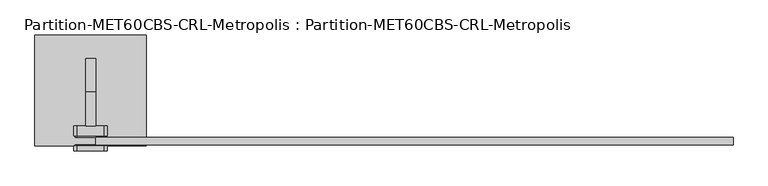
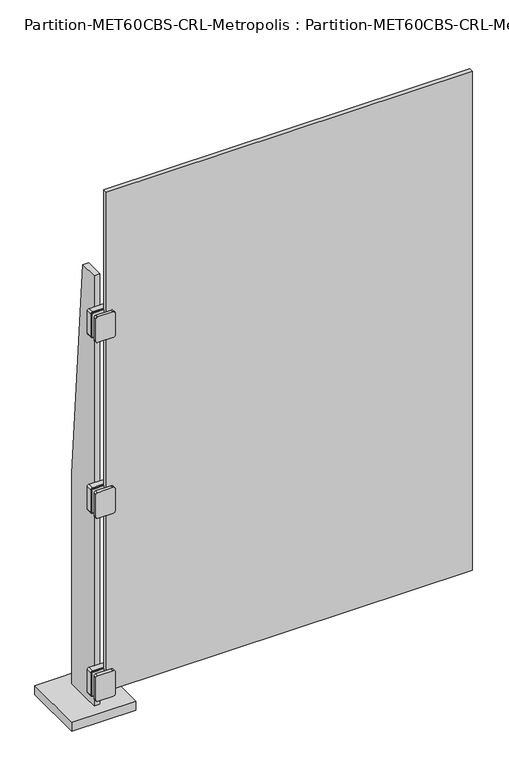
"""IFC4 building model written with IfcOpenShell, lengths in millimetres: plate geometry, Partition-MET60CBS-CRL-Metropolis : Partition-MET60CBS-CRL-Metropolis."""

from ifc_helpers import new_model, si_unit, point, frame, frame_2d, origin, origin_with_axes, place, context, project, spatial, polyline, circle_curve, trimmed, segment, composite_curve, outline, extrude, source, transform, mapped, element, save


def partition_met60cbs_crl_metropolis_partition_met60cbs_crl_53cabe06(model_context):
    return source(origin(), model_context, "Body", "SweptSolid", [
        extrude(outline(composite_curve([segment(polyline([(168.275, -596.9), (168.275, -635.0)]), True, "CONTINUOUS"), segment(trimmed(circle_curve(frame_2d((165.1, -635.0)), 3.175), [point((168.275, -635.0))], [point((165.1, -638.175))], False, "CARTESIAN"), True, "CONTINUOUS"), segment(polyline([(165.1, -638.175), (88.9, -638.175)]), True, "CONTINUOUS"), segment(trimmed(circle_curve(frame_2d((88.9, -635.0)), 3.175), [point((88.9, -638.175))], [point((85.725, -635.0))], False, "CARTESIAN"), True, "CONTINUOUS"), segment(polyline([(85.725, -635.0), (85.725, -596.9), (85.725, -584.2)]), True, "CONTINUOUS"), segment(trimmed(circle_curve(frame_2d((88.9, -584.2)), 3.175), [point((85.725, -584.2))], [point((88.9, -581.025))], False, "CARTESIAN"), True, "CONTINUOUS"), segment(polyline([(88.9, -581.025), (165.1, -581.025)]), True, "CONTINUOUS"), segment(trimmed(circle_curve(frame_2d((165.1, -584.2)), 3.175), [point((165.1, -581.025))], [point((168.275, -584.2))], False, "CARTESIAN"), True, "CONTINUOUS"), segment(polyline([(168.275, -584.2), (168.275, -596.9)]), True, "CONTINUOUS")], self_intersect=False)), frame((0.0, -114.3, 0.0), z_axis=(0.0, 1.0, 0.0), x_axis=(0.0, 0.0, 1.0)), (0.0, 0.0, 1.0), 1.5875),
        extrude(outline(composite_curve([segment(polyline([(168.275, -596.9), (168.275, -635.0)]), True, "CONTINUOUS"), segment(trimmed(circle_curve(frame_2d((165.1, -635.0)), 3.175), [point((168.275, -635.0))], [point((165.1, -638.175))], False, "CARTESIAN"), True, "CONTINUOUS"), segment(polyline([(165.1, -638.175), (88.9, -638.175)]), True, "CONTINUOUS"), segment(trimmed(circle_curve(frame_2d((88.9, -635.0)), 3.175), [point((88.9, -638.175))], [point((85.725, -635.0))], False, "CARTESIAN"), True, "CONTINUOUS"), segment(polyline([(85.725, -635.0), (85.725, -596.9), (85.725, -584.2)]), True, "CONTINUOUS"), segment(trimmed(circle_curve(frame_2d((88.9, -584.2)), 3.175), [point((85.725, -584.2))], [point((88.9, -581.025))], False, "CARTESIAN"), True, "CONTINUOUS"), segment(polyline([(88.9, -581.025), (165.1, -581.025)]), True, "CONTINUOUS"), segment(trimmed(circle_curve(frame_2d((165.1, -584.2)), 3.175), [point((165.1, -581.025))], [point((168.275, -584.2))], False, "CARTESIAN"), True, "CONTINUOUS"), segment(polyline([(168.275, -584.2), (168.275, -596.9)]), True, "CONTINUOUS")], self_intersect=False)), frame((0.0, -98.425, 0.0), z_axis=(0.0, 1.0, 0.0), x_axis=(0.0, 0.0, 1.0)), (0.0, 0.0, 1.0), 3.175),
        extrude(outline(composite_curve([segment(polyline([(165.1, -641.35), (88.9, -641.35)]), True, "CONTINUOUS"), segment(trimmed(circle_curve(frame_2d((88.9, -635.0)), 6.35), [point((88.9, -641.35))], [point((82.55, -635.0))], False, "CARTESIAN"), True, "CONTINUOUS"), segment(polyline([(82.55, -635.0), (82.55, -584.2)]), True, "CONTINUOUS"), segment(trimmed(circle_curve(frame_2d((88.9, -584.2)), 6.35), [point((82.55, -584.2))], [point((88.9, -577.85))], False, "CARTESIAN"), True, "CONTINUOUS"), segment(polyline([(88.9, -577.85), (165.1, -577.85)]), True, "CONTINUOUS"), segment(trimmed(circle_curve(frame_2d((165.1, -584.2)), 6.35), [point((165.1, -577.85))], [point((171.45, -584.2))], False, "CARTESIAN"), True, "CONTINUOUS"), segment(polyline([(171.45, -584.2), (171.45, -635.0)]), True, "CONTINUOUS"), segment(trimmed(circle_curve(frame_2d((165.1, -635.0)), 6.35), [point((171.45, -635.0))], [point((165.1, -641.35))], False, "CARTESIAN"), True, "CONTINUOUS")], self_intersect=False)), frame((0.0, -123.825, 0.0), z_axis=(0.0, 1.0, 0.0), x_axis=(0.0, 0.0, 1.0)), (0.0, 0.0, 1.0), 9.525),
        extrude(outline(composite_curve([segment(polyline([(165.1, -641.35), (88.9, -641.35)]), True, "CONTINUOUS"), segment(trimmed(circle_curve(frame_2d((88.9, -635.0)), 6.35), [point((88.9, -641.35))], [point((82.55, -635.0))], False, "CARTESIAN"), True, "CONTINUOUS"), segment(polyline([(82.55, -635.0), (82.55, -584.2)]), True, "CONTINUOUS"), segment(trimmed(circle_curve(frame_2d((88.9, -584.2)), 6.35), [point((82.55, -584.2))], [point((88.9, -577.85))], False, "CARTESIAN"), True, "CONTINUOUS"), segment(polyline([(88.9, -577.85), (165.1, -577.85)]), True, "CONTINUOUS"), segment(trimmed(circle_curve(frame_2d((165.1, -584.2)), 6.35), [point((165.1, -577.85))], [point((171.45, -584.2))], False, "CARTESIAN"), True, "CONTINUOUS"), segment(polyline([(171.45, -584.2), (171.45, -635.0)]), True, "CONTINUOUS"), segment(trimmed(circle_curve(frame_2d((165.1, -635.0)), 6.35), [point((171.45, -635.0))], [point((165.1, -641.35))], False, "CARTESIAN"), True, "CONTINUOUS")], self_intersect=False)), frame((0.0, -95.25, 0.0), z_axis=(0.0, 1.0, 0.0), x_axis=(0.0, 0.0, 1.0)), (0.0, 0.0, 1.0), 19.05),
        extrude(outline(composite_curve([segment(polyline([(1412.875, -596.9), (1412.875, -635.0)]), True, "CONTINUOUS"), segment(trimmed(circle_curve(frame_2d((1409.7, -635.0)), 3.175), [point((1412.875, -635.0))], [point((1409.7, -638.175))], False, "CARTESIAN"), True, "CONTINUOUS"), segment(polyline([(1409.7, -638.175), (1333.5, -638.175)]), True, "CONTINUOUS"), segment(trimmed(circle_curve(frame_2d((1333.5, -635.0)), 3.175), [point((1333.5, -638.175))], [point((1330.325, -635.0))], False, "CARTESIAN"), True, "CONTINUOUS"), segment(polyline([(1330.325, -635.0), (1330.325, -596.9), (1330.325, -584.2)]), True, "CONTINUOUS"), segment(trimmed(circle_curve(frame_2d((1333.5, -584.2)), 3.175), [point((1330.325, -584.2))], [point((1333.5, -581.025))], False, "CARTESIAN"), True, "CONTINUOUS"), segment(polyline([(1333.5, -581.025), (1409.7, -581.025)]), True, "CONTINUOUS"), segment(trimmed(circle_curve(frame_2d((1409.7, -584.2)), 3.175), [point((1409.7, -581.025))], [point((1412.875, -584.2))], False, "CARTESIAN"), True, "CONTINUOUS"), segment(polyline([(1412.875, -584.2), (1412.875, -596.9)]), True, "CONTINUOUS")], self_intersect=False)), frame((0.0, -114.3, 0.0), z_axis=(0.0, 1.0, 0.0), x_axis=(0.0, 0.0, 1.0)), (0.0, 0.0, 1.0), 1.5875),
        extrude(outline(composite_curve([segment(polyline([(1412.875, -596.9), (1412.875, -635.0)]), True, "CONTINUOUS"), segment(trimmed(circle_curve(frame_2d((1409.7, -635.0)), 3.175), [point((1412.875, -635.0))], [point((1409.7, -638.175))], False, "CARTESIAN"), True, "CONTINUOUS"), segment(polyline([(1409.7, -638.175), (1333.5, -638.175)]), True, "CONTINUOUS"), segment(trimmed(circle_curve(frame_2d((1333.5, -635.0)), 3.175), [point((1333.5, -638.175))], [point((1330.325, -635.0))], False, "CARTESIAN"), True, "CONTINUOUS"), segment(polyline([(1330.325, -635.0), (1330.325, -596.9), (1330.325, -584.2)]), True, "CONTINUOUS"), segment(trimmed(circle_curve(frame_2d((1333.5, -584.2)), 3.175), [point((1330.325, -584.2))], [point((1333.5, -581.025))], False, "CARTESIAN"), True, "CONTINUOUS"), segment(polyline([(1333.5, -581.025), (1409.7, -581.025)]), True, "CONTINUOUS"), segment(trimmed(circle_curve(frame_2d((1409.7, -584.2)), 3.175), [point((1409.7, -581.025))], [point((1412.875, -584.2))], False, "CARTESIAN"), True, "CONTINUOUS"), segment(polyline([(1412.875, -584.2), (1412.875, -596.9)]), True, "CONTINUOUS")], self_intersect=False)), frame((0.0, -98.425, 0.0), z_axis=(0.0, 1.0, 0.0), x_axis=(0.0, 0.0, 1.0)), (0.0, 0.0, 1.0), 3.175),
        extrude(outline(composite_curve([segment(polyline([(1409.7, -641.35), (1333.5, -641.35)]), True, "CONTINUOUS"), segment(trimmed(circle_curve(frame_2d((1333.5, -635.0)), 6.35), [point((1333.5, -641.35))], [point((1327.15, -635.0))], False, "CARTESIAN"), True, "CONTINUOUS"), segment(polyline([(1327.15, -635.0), (1327.15, -584.2)]), True, "CONTINUOUS"), segment(trimmed(circle_curve(frame_2d((1333.5, -584.2)), 6.35), [point((1327.15, -584.2))], [point((1333.5, -577.85))], False, "CARTESIAN"), True, "CONTINUOUS"), segment(polyline([(1333.5, -577.85), (1409.7, -577.85)]), True, "CONTINUOUS"), segment(trimmed(circle_curve(frame_2d((1409.7, -584.2)), 6.35), [point((1409.7, -577.85))], [point((1416.05, -584.2))], False, "CARTESIAN"), True, "CONTINUOUS"), segment(polyline([(1416.05, -584.2), (1416.05, -635.0)]), True, "CONTINUOUS"), segment(trimmed(circle_curve(frame_2d((1409.7, -635.0)), 6.35), [point((1416.05, -635.0))], [point((1409.7, -641.35))], False, "CARTESIAN"), True, "CONTINUOUS")], self_intersect=False)), frame((0.0, -123.825, 0.0), z_axis=(0.0, 1.0, 0.0), x_axis=(0.0, 0.0, 1.0)), (0.0, 0.0, 1.0), 9.525),
        extrude(outline(composite_curve([segment(polyline([(1409.7, -641.35), (1333.5, -641.35)]), True, "CONTINUOUS"), segment(trimmed(circle_curve(frame_2d((1333.5, -635.0)), 6.35), [point((1333.5, -641.35))], [point((1327.15, -635.0))], False, "CARTESIAN"), True, "CONTINUOUS"), segment(polyline([(1327.15, -635.0), (1327.15, -584.2)]), True, "CONTINUOUS"), segment(trimmed(circle_curve(frame_2d((1333.5, -584.2)), 6.35), [point((1327.15, -584.2))], [point((1333.5, -577.85))], False, "CARTESIAN"), True, "CONTINUOUS"), segment(polyline([(1333.5, -577.85), (1409.7, -577.85)]), True, "CONTINUOUS"), segment(trimmed(circle_curve(frame_2d((1409.7, -584.2)), 6.35), [point((1409.7, -577.85))], [point((1416.05, -584.2))], False, "CARTESIAN"), True, "CONTINUOUS"), segment(polyline([(1416.05, -584.2), (1416.05, -635.0)]), True, "CONTINUOUS"), segment(trimmed(circle_curve(frame_2d((1409.7, -635.0)), 6.35), [point((1416.05, -635.0))], [point((1409.7, -641.35))], False, "CARTESIAN"), True, "CONTINUOUS")], self_intersect=False)), frame((0.0, -95.25, 0.0), z_axis=(0.0, 1.0, 0.0), x_axis=(0.0, 0.0, 1.0)), (0.0, 0.0, 1.0), 19.05),
        extrude(outline(composite_curve([segment(polyline([(803.275, -596.9), (803.275, -635.0)]), True, "CONTINUOUS"), segment(trimmed(circle_curve(frame_2d((800.1, -635.0)), 3.175), [point((803.275, -635.0))], [point((800.1, -638.175))], False, "CARTESIAN"), True, "CONTINUOUS"), segment(polyline([(800.1, -638.175), (723.9, -638.175)]), True, "CONTINUOUS"), segment(trimmed(circle_curve(frame_2d((723.9, -635.0)), 3.175), [point((723.9, -638.175))], [point((720.725, -635.0))], False, "CARTESIAN"), True, "CONTINUOUS"), segment(polyline([(720.725, -635.0), (720.725, -596.9), (720.725, -584.2)]), True, "CONTINUOUS"), segment(trimmed(circle_curve(frame_2d((723.9, -584.2)), 3.175), [point((720.725, -584.2))], [point((723.9, -581.025))], False, "CARTESIAN"), True, "CONTINUOUS"), segment(polyline([(723.9, -581.025), (800.1, -581.025)]), True, "CONTINUOUS"), segment(trimmed(circle_curve(frame_2d((800.1, -584.2)), 3.175), [point((800.1, -581.025))], [point((803.275, -584.2))], False, "CARTESIAN"), True, "CONTINUOUS"), segment(polyline([(803.275, -584.2), (803.275, -596.9)]), True, "CONTINUOUS")], self_intersect=False)), frame((0.0, -114.3, 0.0), z_axis=(0.0, 1.0, 0.0), x_axis=(0.0, 0.0, 1.0)), (0.0, 0.0, 1.0), 1.5875),
        extrude(outline(composite_curve([segment(polyline([(803.275, -596.9), (803.275, -635.0)]), True, "CONTINUOUS"), segment(trimmed(circle_curve(frame_2d((800.1, -635.0)), 3.175), [point((803.275, -635.0))], [point((800.1, -638.175))], False, "CARTESIAN"), True, "CONTINUOUS"), segment(polyline([(800.1, -638.175), (723.9, -638.175)]), True, "CONTINUOUS"), segment(trimmed(circle_curve(frame_2d((723.9, -635.0)), 3.175), [point((723.9, -638.175))], [point((720.725, -635.0))], False, "CARTESIAN"), True, "CONTINUOUS"), segment(polyline([(720.725, -635.0), (720.725, -596.9), (720.725, -584.2)]), True, "CONTINUOUS"), segment(trimmed(circle_curve(frame_2d((723.9, -584.2)), 3.175), [point((720.725, -584.2))], [point((723.9, -581.025))], False, "CARTESIAN"), True, "CONTINUOUS"), segment(polyline([(723.9, -581.025), (800.1, -581.025)]), True, "CONTINUOUS"), segment(trimmed(circle_curve(frame_2d((800.1, -584.2)), 3.175), [point((800.1, -581.025))], [point((803.275, -584.2))], False, "CARTESIAN"), True, "CONTINUOUS"), segment(polyline([(803.275, -584.2), (803.275, -596.9)]), True, "CONTINUOUS")], self_intersect=False)), frame((0.0, -98.425, 0.0), z_axis=(0.0, 1.0, 0.0), x_axis=(0.0, 0.0, 1.0)), (0.0, 0.0, 1.0), 3.175),
        extrude(outline(composite_curve([segment(polyline([(800.1, -641.35), (723.9, -641.35)]), True, "CONTINUOUS"), segment(trimmed(circle_curve(frame_2d((723.9, -635.0)), 6.35), [point((723.9, -641.35))], [point((717.55, -635.0))], False, "CARTESIAN"), True, "CONTINUOUS"), segment(polyline([(717.55, -635.0), (717.55, -584.2)]), True, "CONTINUOUS"), segment(trimmed(circle_curve(frame_2d((723.9, -584.2)), 6.35), [point((717.55, -584.2))], [point((723.9, -577.85))], False, "CARTESIAN"), True, "CONTINUOUS"), segment(polyline([(723.9, -577.85), (800.1, -577.85)]), True, "CONTINUOUS"), segment(trimmed(circle_curve(frame_2d((800.1, -584.2)), 6.35), [point((800.1, -577.85))], [point((806.45, -584.2))], False, "CARTESIAN"), True, "CONTINUOUS"), segment(polyline([(806.45, -584.2), (806.45, -635.0)]), True, "CONTINUOUS"), segment(trimmed(circle_curve(frame_2d((800.1, -635.0)), 6.35), [point((806.45, -635.0))], [point((800.1, -641.35))], False, "CARTESIAN"), True, "CONTINUOUS")], self_intersect=False)), frame((0.0, -123.825, 0.0), z_axis=(0.0, 1.0, 0.0), x_axis=(0.0, 0.0, 1.0)), (0.0, 0.0, 1.0), 9.525),
        extrude(outline(composite_curve([segment(polyline([(800.1, -641.35), (723.9, -641.35)]), True, "CONTINUOUS"), segment(trimmed(circle_curve(frame_2d((723.9, -635.0)), 6.35), [point((723.9, -641.35))], [point((717.55, -635.0))], False, "CARTESIAN"), True, "CONTINUOUS"), segment(polyline([(717.55, -635.0), (717.55, -584.2)]), True, "CONTINUOUS"), segment(trimmed(circle_curve(frame_2d((723.9, -584.2)), 6.35), [point((717.55, -584.2))], [point((723.9, -577.85))], False, "CARTESIAN"), True, "CONTINUOUS"), segment(polyline([(723.9, -577.85), (800.1, -577.85)]), True, "CONTINUOUS"), segment(trimmed(circle_curve(frame_2d((800.1, -584.2)), 6.35), [point((800.1, -577.85))], [point((806.45, -584.2))], False, "CARTESIAN"), True, "CONTINUOUS"), segment(polyline([(806.45, -584.2), (806.45, -635.0)]), True, "CONTINUOUS"), segment(trimmed(circle_curve(frame_2d((800.1, -635.0)), 6.35), [point((806.45, -635.0))], [point((800.1, -641.35))], False, "CARTESIAN"), True, "CONTINUOUS")], self_intersect=False)), frame((0.0, -95.25, 0.0), z_axis=(0.0, 1.0, 0.0), x_axis=(0.0, 0.0, 1.0)), (0.0, 0.0, 1.0), 19.05),
        extrude(outline(polyline([(50.8, 762.0), (50.8, 0.0), (-76.2, 0.0), (-76.2, 1524.0), (-12.7, 1524.0), (50.8, 762.0)])), frame((-619.125, 0.0, 0.0), z_axis=(1.0, 0.0, 0.0), x_axis=(0.0, 1.0, 0.0)), (0.0, 0.0, 1.0), 19.05),
        extrude(outline(polyline([(-504.825, 95.25), (-504.825, -114.3), (-714.375, -114.3), (-714.375, 95.25), (-504.825, 95.25)])), origin_with_axes(), (0.0, 0.0, 1.0), 31.75),
        extrude(outline(polyline([(600.075, -98.425), (600.075, -112.7125), (-600.075, -112.7125), (-600.075, -98.425), (600.075, -98.425)])), frame((0.0, 0.0, 98.425), z_axis=(0.0, 0.0, 1.0), x_axis=(1.0, 0.0, 0.0)), (0.0, 0.0, 1.0), 1730.375),
    ])


if __name__ == "__main__":
    model = new_model("IFC4")
    model_context = context("Model", 3, world=origin())
    ifc_project = project(units=[si_unit("LENGTHUNIT", "METRE", prefix="MILLI")], contexts=[model_context])
    site = spatial("IfcSite", under=ifc_project)
    building = spatial("IfcBuilding", under=site)
    placement = place(None, origin())
    partition_met60cbs_crl_metropolis_partition_met60cbs_crl_shape = partition_met60cbs_crl_metropolis_partition_met60cbs_crl_53cabe06(model_context)
    element("IfcPlate", 1, ObjectType="Partition-MET60CBS-CRL-Metropolis : Partition-MET60CBS-CRL-Metropolis", at=placement, inside=building, context=model_context, shape_type="MappedRepresentation", body=[
        mapped(partition_met60cbs_crl_metropolis_partition_met60cbs_crl_shape, transform((0.0, 0.0, 0.0), x_axis=(1.0, 0.0, 0.0), y_axis=(0.0, 1.0, 0.0), z_axis=(0.0, 0.0, 1.0))),
    ])
    save(model, "model.ifc")
